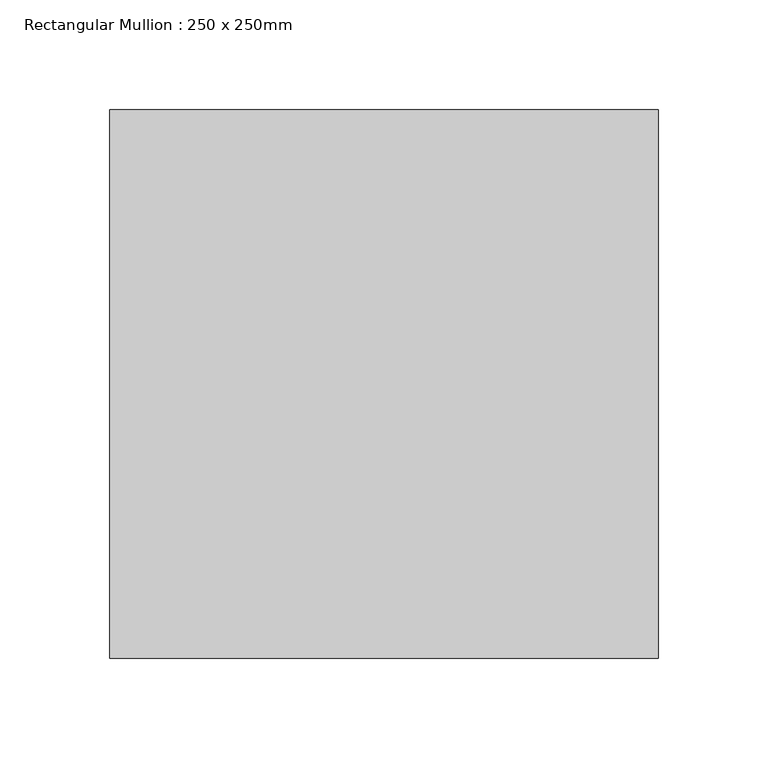
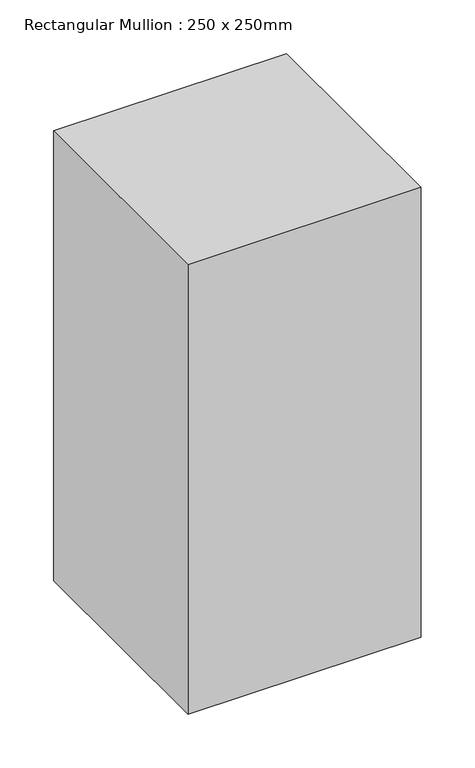
"""IFC4 building model written with IfcOpenShell, lengths in millimetres: member geometry, Rectangular Mullion : 250 x 250mm."""

from ifc_helpers import new_model, si_unit, frame, origin, place, context, project, spatial, polyline, outline, extrude, source, transform, mapped, element, save


def rectangular_mullion_250_x_250mm_6701cba8(model_context):
    return source(origin(), model_context, "Body", "SweptSolid", [
        extrude(outline(polyline([(0.0, 125.0), (0.0, -125.0), (-250.0, -125.0), (-250.0, 125.0), (0.0, 125.0)])), frame((0.0, 0.0, -509.7832998), z_axis=(0.0, 0.0, 1.0), x_axis=(1.0, 0.0, 0.0)), (0.0, 0.0, 1.0), 509.7832998),
    ])


if __name__ == "__main__":
    model = new_model("IFC4")
    model_context = context("Model", 3, world=origin())
    ifc_project = project(units=[si_unit("LENGTHUNIT", "METRE", prefix="MILLI")], contexts=[model_context])
    site = spatial("IfcSite", under=ifc_project)
    building = spatial("IfcBuilding", under=site)
    placement = place(None, origin())
    rectangular_mullion_250_x_250mm_shape = rectangular_mullion_250_x_250mm_6701cba8(model_context)
    element("IfcMember", 1, ObjectType="Rectangular Mullion : 250 x 250mm", at=placement, inside=building, context=model_context, shape_type="MappedRepresentation", body=[
        mapped(rectangular_mullion_250_x_250mm_shape, transform((0.0, 0.0, 0.0), x_axis=(1.0, 0.0, 0.0), y_axis=(0.0, 1.0, 0.0), z_axis=(0.0, 0.0, 1.0))),
    ])
    save(model, "model.ifc")
